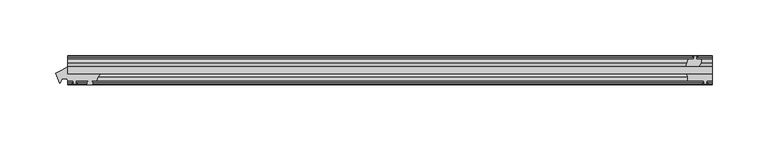
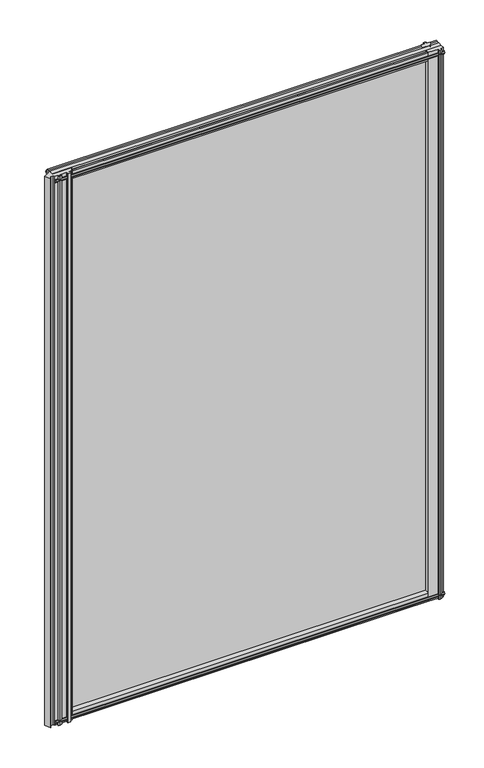
"""IFC4 building model written with IfcOpenShell, lengths in millimetres: plate geometry."""

from ifc_helpers import new_model, si_unit, point, frame, frame_2d, origin, place, context, project, spatial, polyline, circle_curve, trimmed, segment, composite_curve, outline, extrude, source, transform, mapped, element, save


def plate_5664b377(model_context):
    return source(origin(), model_context, "Body", "SweptSolid", [
        extrude(outline(polyline([(-267.890625, -19.5460937), (311.15, -19.5460937), (311.15, -25.8960937), (-267.890625, -25.8960937), (-267.890625, -19.5460937)])), frame((0.0, 0.0, -12.7), z_axis=(0.0, 0.0, 1.0), x_axis=(1.0, 0.0, 0.0)), (0.0, 0.0, 1.0), 863.6),
        extrude(outline(composite_curve([segment(trimmed(circle_curve(frame_2d((-230.433521, -34.0324587)), 11.1804786), [point((-238.1018106, -25.8960938))], [point((-241.4703684, -32.2460938))], True, "CARTESIAN"), True, "CONTINUOUS"), segment(polyline([(-241.4703684, -32.2460938), (-245.7121684, -32.2460938)]), True, "CONTINUOUS"), segment(trimmed(circle_curve(frame_2d((-245.7121684, -32.7032938)), 0.4572), [point((-245.7121684, -32.2460938))], [point((-246.0509863, -33.0102698))], True, "CARTESIAN"), True, "CONTINUOUS"), segment(trimmed(circle_curve(frame_2d((-247.8203684, -34.613367)), 2.3876), [point((-246.0509863, -33.0102698))], [point((-245.7497254, -35.8020938))], False, "CARTESIAN"), True, "CONTINUOUS"), segment(polyline([(-245.7497254, -35.8020938), (-249.8910114, -35.8020938)]), True, "CONTINUOUS"), segment(trimmed(circle_curve(frame_2d((-247.8203684, -34.613367)), 2.3876), [point((-249.8910114, -35.8020938))], [point((-249.5897506, -33.0102698))], False, "CARTESIAN"), True, "CONTINUOUS"), segment(trimmed(circle_curve(frame_2d((-249.9285684, -32.7032938)), 0.4572), [point((-249.5897506, -33.0102698))], [point((-249.9285684, -32.2460938))], True, "CARTESIAN"), True, "CONTINUOUS"), segment(polyline([(-249.9285684, -32.2460938), (-260.3171684, -32.2460938), (-260.6346684, -34.3506957), (-259.4160626, -34.0241712), (-259.2122684, -34.7847412), (-261.5871684, -35.4210937), (-263.9620684, -34.7847412), (-263.7582743, -34.0241712), (-262.5396684, -34.3506957), (-262.8571684, -32.2460938), (-267.9371684, -32.2460938), (-268.7546701, -30.3775881), (-272.4715456, -30.3775881), (-274.8816069, -34.5272548), (-278.5694923, -25.6278457)]), True, "CONTINUOUS"), segment(trimmed(circle_curve(frame_2d((-297.1204414, 19.1383188)), 48.4576846), [point((-278.5694923, -25.6278457))], [point((-267.9371684, -19.5460938))], True, "CARTESIAN"), True, "CONTINUOUS"), segment(polyline([(-267.9371684, -19.5460938), (-267.9371684, -25.8960938), (-238.1018106, -25.8960938)]), True, "CONTINUOUS")], self_intersect=False)), frame((0.0, 0.0, -12.7), z_axis=(0.0, 0.0, 1.0), x_axis=(1.0, 0.0, 0.0)), (0.0, 0.0, 1.0), 863.6),
        extrude(outline(composite_curve([segment(polyline([(311.1542854, -32.2460938), (306.0742854, -32.2460938), (305.7567854, -34.3506957), (306.9753913, -34.0241712), (307.1791854, -34.7847412), (304.8042854, -35.4210938), (302.4293854, -34.7847412), (302.6331795, -34.0241712), (303.8517854, -34.3506957), (303.5342854, -32.2460938), (288.925, -32.2460938)]), True, "CONTINUOUS"), segment(trimmed(circle_curve(frame_2d((280.043449, -30.5054843)), 9.0505066), [point((288.925, -32.2460938))], [point((287.8322351, -25.8960937))], True, "CARTESIAN"), True, "CONTINUOUS"), segment(polyline([(287.8322351, -25.8960937), (311.1542854, -25.8960937), (311.1542854, -32.2460938)]), True, "CONTINUOUS")], self_intersect=False)), frame((0.0, 0.0, -12.7), z_axis=(0.0, 0.0, 1.0), x_axis=(1.0, 0.0, 0.0)), (0.0, 0.0, 1.0), 863.6),
        extrude(outline(polyline([(293.6181709, -10.4746158), (295.7957, -9.7670938), (297.973229, -10.4746158), (297.973229, -11.27583), (296.5577, -10.8158968), (296.9387, -13.1960938), (301.3837, -13.1960938), (301.3837, -16.1424938), (299.1710038, -19.5460937), (287.3404229, -19.5460937), (289.4457, -13.1960938), (294.6527, -13.1960938), (295.0337, -10.8158968), (293.6181709, -11.27583), (293.6181709, -10.4746158)])), frame((0.0, 0.0, -12.7), z_axis=(0.0, 0.0, 1.0), x_axis=(1.0, 0.0, 0.0)), (0.0, 0.0, 1.0), 863.6),
        extrude(outline(polyline([(-13.1960937, 850.6587), (-13.1960937, 846.2137), (-10.8158968, 845.8327), (-11.27583, 847.248229), (-10.4746158, 847.248229), (-9.7670937, 845.0707), (-10.4746158, 842.8931709), (-11.27583, 842.8931709), (-10.8158968, 844.3087), (-13.1960937, 843.9277), (-13.1960937, 838.7207), (-19.5460937, 836.6154229), (-19.5460937, 848.4460038), (-16.1424937, 850.6587), (-13.1960937, 850.6587)])), frame((-267.890625, 0.0, 0.0), z_axis=(1.0, 0.0, 0.0), x_axis=(0.0, 1.0, 0.0)), (0.0, 0.0, 1.0), 579.040625),
        extrude(outline(polyline([(-29.2996937, 850.138), (-25.8960937, 847.9253038), (-25.8960937, 836.0947229), (-32.2460937, 838.2), (-32.2460937, 843.407), (-34.6262907, 843.788), (-34.1663575, 842.3724709), (-34.9675717, 842.3724709), (-35.6750937, 844.55), (-34.9675717, 846.7275291), (-34.1663575, 846.7275291), (-34.6262907, 845.312), (-32.2460937, 845.693), (-32.2460937, 850.138), (-29.2996937, 850.138)])), frame((-267.890625, 0.0, 0.0), z_axis=(1.0, 0.0, 0.0), x_axis=(0.0, 1.0, 0.0)), (0.0, 0.0, 1.0), 579.040625),
        extrude(outline(polyline([(-25.8960937, 2.1052771), (-25.8960937, -9.7253038), (-29.2996937, -11.938), (-32.2460937, -11.938), (-32.2460937, -7.493), (-34.6262907, -7.112), (-34.1663575, -8.5275291), (-34.9675717, -8.5275291), (-35.6750937, -6.35), (-34.9675717, -4.1724709), (-34.1663575, -4.1724709), (-34.6262907, -5.588), (-32.2460937, -5.207), (-32.2460937, 0.0), (-25.8960937, 2.1052771)])), frame((-267.890625, 0.0, 0.0), z_axis=(1.0, 0.0, 0.0), x_axis=(0.0, 1.0, 0.0)), (0.0, 0.0, 1.0), 579.040625),
        extrude(outline(polyline([(-19.5460937, 1.5845771), (-13.1960937, -0.5207), (-13.1960937, -5.7277), (-10.8158968, -6.1087), (-11.27583, -4.6931709), (-10.4746158, -4.6931709), (-9.7670937, -6.8707), (-10.4746158, -9.048229), (-11.27583, -9.048229), (-10.8158968, -7.6327), (-13.1960937, -8.0137), (-13.1960937, -12.4587), (-16.1424937, -12.4587), (-19.5460937, -10.2460038), (-19.5460937, 1.5845771)])), frame((-267.890625, 0.0, 0.0), z_axis=(1.0, 0.0, 0.0), x_axis=(0.0, 1.0, 0.0)), (0.0, 0.0, 1.0), 579.040625),
    ])


if __name__ == "__main__":
    model = new_model("IFC4")
    model_context = context("Model", 3, world=origin())
    ifc_project = project(units=[si_unit("LENGTHUNIT", "METRE", prefix="MILLI")], contexts=[model_context])
    site = spatial("IfcSite", under=ifc_project)
    building = spatial("IfcBuilding", under=site)
    placement = place(None, origin())
    plate_shape = plate_5664b377(model_context)
    element("IfcPlate", 1, at=placement, inside=building, context=model_context, shape_type="MappedRepresentation", body=[
        mapped(plate_shape, transform((0.0, 0.0, 0.0), x_axis=(1.0, 0.0, 0.0), y_axis=(0.0, 1.0, 0.0), z_axis=(0.0, 0.0, 1.0))),
    ])
    save(model, "model.ifc")
